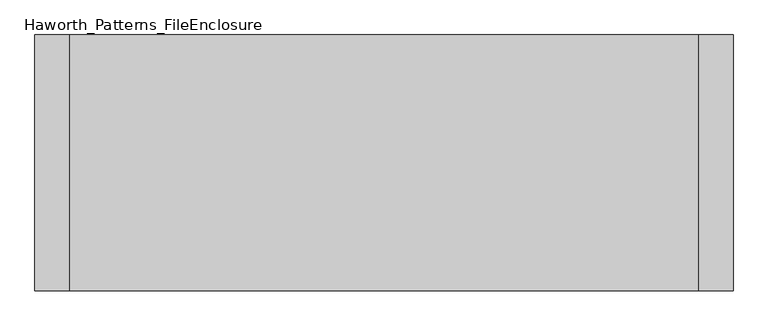
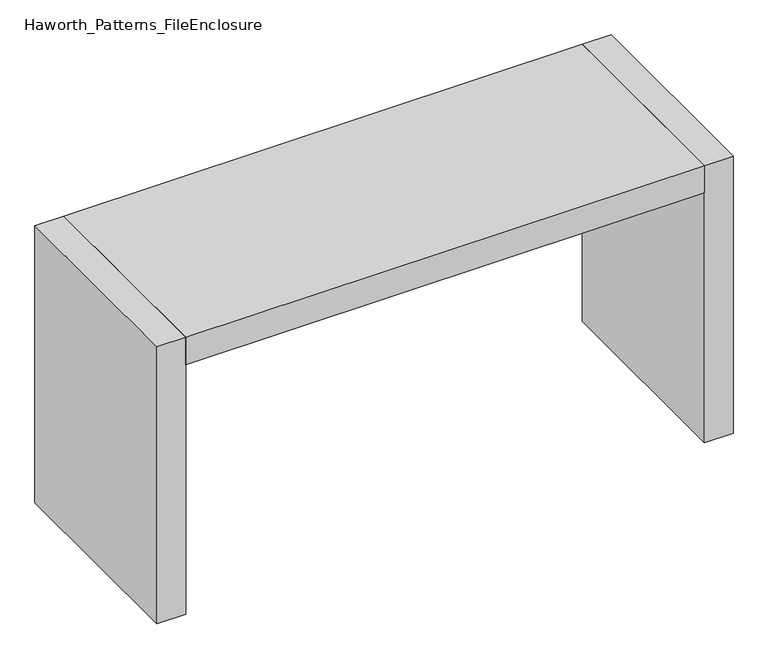
"""IFC4 building model written with IfcOpenShell, lengths in millimetres: furniture geometry, Haworth_Patterns_FileEnclosure."""

import ifcopenshell
import ifcopenshell.guid

model = None  # the IFC model being written
_history = None  # IfcOwnerHistory: only IFC2X3 demands one
_inside = {}  # id of a spatial element -> (the spatial element, [elements in it])
_under = {}  # id of a project, library or spatial element -> (it, [spatial elements below it])
_declared = {}  # id of a project -> (the project, [libraries it declares])
_typed = {}  # id of a type object -> (the type object, [elements of that type])
_made_of = {}  # id of a material, layer set ... -> (it, [elements and type objects made of it])


def new_model(schema):
    """Start an empty IFC model of exactly this schema.

    Asked for "IFC4X3", IfcOpenShell would pick the latest addendum, in which some entities
    have other attributes; the version numbers below select the first issue.
    IFC2X3 requires an IfcOwnerHistory on every rooted entity: one is made here for all.
    """
    global model, _history
    if schema == "IFC4X3":
        model = ifcopenshell.file(schema_version=(4, 3, 0, 0))
    else:
        model = ifcopenshell.file(schema=schema)
    _inside.clear()
    _under.clear()
    _declared.clear()
    _typed.clear()
    _made_of.clear()
    _history = None
    if model.schema == "IFC2X3":
        org = make("IfcOrganization", Name="unknown")
        user = make(
            "IfcPersonAndOrganization",
            ThePerson=make("IfcPerson", FamilyName="unknown"),
            TheOrganization=org,
        )
        app = make(
            "IfcApplication",
            ApplicationDeveloper=org,
            Version="unknown",
            ApplicationFullName="unknown",
            ApplicationIdentifier="unknown",
        )
        _history = make(
            "IfcOwnerHistory",
            OwningUser=user,
            OwningApplication=app,
            ChangeAction="ADDED",
            CreationDate=0,
        )
    return model


def make(cls, **values):
    """One entity of the class cls with the attributes given. An attribute that is None is left unset."""
    return model.create_entity(
        cls, **{name: value for name, value in values.items() if value is not None}
    )


def rooted(cls, **values):
    """An entity with a GlobalId (a new one), such as an element, a storey or a relation."""
    return make(cls, GlobalId=ifcopenshell.guid.new(), OwnerHistory=_history, **values)


def si_unit(unit_type, name, prefix=None):
    """IfcSIUnit, for example si_unit("LENGTHUNIT", "METRE", prefix="MILLI")."""
    return make("IfcSIUnit", UnitType=unit_type, Prefix=prefix, Name=name)


def assignment(units):
    """IfcUnitAssignment: the units of a project."""
    return None if units is None else make("IfcUnitAssignment", Units=units)


def point(xyz):
    """IfcCartesianPoint."""
    return None if xyz is None else make("IfcCartesianPoint", Coordinates=xyz)


def direction(xyz):
    """IfcDirection."""
    return None if xyz is None else make("IfcDirection", DirectionRatios=xyz)


def frame(location, z_axis=None, x_axis=None):
    """IfcAxis2Placement3D, a coordinate frame: its origin and axes. An axis left out is left unset."""
    return make(
        "IfcAxis2Placement3D",
        Location=point(location),
        Axis=direction(z_axis),
        RefDirection=direction(x_axis),
    )


def origin():
    """The frame at (0, 0, 0) with its axes left unset."""
    return frame((0.0, 0.0, 0.0))


def origin_with_axes():
    """The frame at (0, 0, 0) with the z axis (0, 0, 1) and the x axis (1, 0, 0) written out."""
    return frame((0.0, 0.0, 0.0), z_axis=(0.0, 0.0, 1.0), x_axis=(1.0, 0.0, 0.0))


def place(relative_to, where):
    """IfcLocalPlacement: puts the frame where relative to a parent placement (None: the world)."""
    return make(
        "IfcLocalPlacement", PlacementRelTo=relative_to, RelativePlacement=where
    )


def context(
    kind, dimensions, precision=None, world=None, true_north=None, identifier=None
):
    """IfcGeometricRepresentationContext, for example the 3D "Model" context."""
    return make(
        "IfcGeometricRepresentationContext",
        ContextIdentifier=identifier,
        ContextType=kind,
        CoordinateSpaceDimension=dimensions,
        Precision=precision,
        WorldCoordinateSystem=world,
        TrueNorth=true_north,
    )


def project(units=None, contexts=None):
    """IfcProject with its units and contexts."""
    return rooted(
        "IfcProject",
        Name="project",
        RepresentationContexts=contexts,
        UnitsInContext=assignment(units),
    )


def spatial(cls, under=None, at=None, **own):
    """A site, building, storey or space (cls), placed at a placement, below another one or the project."""
    s = rooted(cls, ObjectPlacement=at, **own)
    if under is not None:
        _under.setdefault(under.id(), (under, []))[1].append(s)
    return s


def polyline(points):
    """IfcPolyline through the points."""
    return make("IfcPolyline", Points=[point(p) for p in points])


def outline(outer, holes=None, kind="AREA"):
    """IfcArbitraryClosedProfileDef: a profile drawn as a closed curve; with holes, ...WithVoids."""
    if holes is None:
        return make("IfcArbitraryClosedProfileDef", ProfileType=kind, OuterCurve=outer)
    return make(
        "IfcArbitraryProfileDefWithVoids",
        ProfileType=kind,
        OuterCurve=outer,
        InnerCurves=holes,
    )


def extrude(swept, where, along, depth):
    """IfcExtrudedAreaSolid: the profile swept, set in the frame where, extruded along a direction by depth."""
    return make(
        "IfcExtrudedAreaSolid",
        SweptArea=swept,
        Position=where,
        ExtrudedDirection=direction(along),
        Depth=depth,
    )


def shape(context_of_items, identifier, shape_type, items):
    """IfcShapeRepresentation: the items that make up one representation, for example the "Body"."""
    return make(
        "IfcShapeRepresentation",
        ContextOfItems=context_of_items,
        RepresentationIdentifier=identifier,
        RepresentationType=shape_type,
        Items=items,
    )


def source(mapping_origin, context_of_items, identifier, shape_type, items):
    """IfcRepresentationMap: a shape defined once, which mapped items show again and again."""
    return make(
        "IfcRepresentationMap",
        MappingOrigin=mapping_origin,
        MappedRepresentation=shape(context_of_items, identifier, shape_type, items),
    )


def transform(
    local_origin,
    x_axis=None,
    y_axis=None,
    z_axis=None,
    scale=None,
    scale2=None,
    scale3=None,
    uniform=True,
):
    """IfcCartesianTransformationOperator3D, or its non-uniform kind. x_axis, y_axis, z_axis: its Axis1, 2, 3."""
    if uniform:
        return make(
            "IfcCartesianTransformationOperator3D",
            Axis1=direction(x_axis),
            Axis2=direction(y_axis),
            LocalOrigin=point(local_origin),
            Scale=scale,
            Axis3=direction(z_axis),
        )
    return make(
        "IfcCartesianTransformationOperator3DnonUniform",
        Axis1=direction(x_axis),
        Axis2=direction(y_axis),
        LocalOrigin=point(local_origin),
        Scale=scale,
        Axis3=direction(z_axis),
        Scale2=scale2,
        Scale3=scale3,
    )


def mapped(mapping_source, mapping_target):
    """IfcMappedItem: shows the shape of a source again, moved by a transform."""
    return make(
        "IfcMappedItem", MappingSource=mapping_source, MappingTarget=mapping_target
    )


def made_of(thing, what):
    """Note that an element or type object is made of a material, layer set ...; save() writes the relation."""
    if what is not None:
        _made_of.setdefault(what.id(), (what, []))[1].append(thing)
    return thing


def element(
    cls,
    number,
    at=None,
    inside=None,
    cuts=None,
    type_object=None,
    material=None,
    context=None,
    identifier="Body",
    shape_type=None,
    held_by="IfcProductDefinitionShape",
    body=None,
    shapes=None,
    **own,
):
    """One element of the class cls, such as IfcWall. Its Tag is "e" and its number.

    at: its placement. inside: the storey or other place that contains it. cuts: it is an
    opening in that element (IfcRelVoidsElement). A single representation is given by context,
    identifier, shape_type and body (its items); several are given by shapes. held_by: the class
    of the entity that holds the representations. save() writes the other relations.
    """
    e = rooted(cls, Tag="e%d" % number, ObjectPlacement=at, **own)
    if body is not None:
        shapes = [shape(context, identifier, shape_type, body)]
    if shapes is not None:
        e.Representation = make(held_by, Representations=shapes)
    if inside is not None:
        _inside.setdefault(inside.id(), (inside, []))[1].append(e)
    if cuts is not None:
        rooted(
            "IfcRelVoidsElement", RelatingBuildingElement=cuts, RelatedOpeningElement=e
        )
    if type_object is not None:
        _typed.setdefault(type_object.id(), (type_object, []))[1].append(e)
    return made_of(e, material)


def aggregate(whole, parts):
    """IfcRelAggregates: a whole, such as a stair, and the parts it consists of."""
    return rooted("IfcRelAggregates", RelatingObject=whole, RelatedObjects=parts)


def save(model, path):
    """Write the relations noted so far, then the file.

    IfcRelAggregates (storeys below a building ...), IfcRelContainedInSpatialStructure (elements
    in a storey), IfcRelDefinesByType, IfcRelAssociatesMaterial and IfcRelDeclares: one each for
    every whole, place, type object, material and project.
    """
    for whole, parts in _under.values():
        aggregate(whole, parts)
    for where, things in _inside.values():
        rooted(
            "IfcRelContainedInSpatialStructure",
            RelatedElements=things,
            RelatingStructure=where,
        )
    for kind, things in _typed.values():
        rooted("IfcRelDefinesByType", RelatedObjects=things, RelatingType=kind)
    for what, things in _made_of.values():
        rooted("IfcRelAssociatesMaterial", RelatedObjects=things, RelatingMaterial=what)
    for by, libraries in _declared.values():
        rooted("IfcRelDeclares", RelatingContext=by, RelatedDefinitions=libraries)
    model.write(path)


def haworth_patterns_fileenclosure_dfd68cfc(model_context):
    return source(origin(), model_context, "Body", "SweptSolid", [
        extrude(outline(polyline([(685.8, 0.0), (685.8, -558.8), (-685.8, -558.8), (-685.8, 0.0), (685.8, 0.0)])), frame((0.0, 0.0, 698.5), z_axis=(0.0, 0.0, 1.0), x_axis=(1.0, 0.0, 0.0)), (0.0, 0.0, 1.0), 76.2),
        extrude(outline(polyline([(685.8, 0.0), (762.0, 0.0), (762.0, -558.8), (685.8, -558.8), (685.8, 0.0)])), origin_with_axes(), (0.0, 0.0, 1.0), 774.7),
        extrude(outline(polyline([(-685.8, 0.0), (-685.8, -558.8), (-762.0, -558.8), (-762.0, 0.0), (-685.8, 0.0)])), origin_with_axes(), (0.0, 0.0, 1.0), 774.7),
    ])


if __name__ == "__main__":
    model = new_model("IFC4")
    model_context = context("Model", 3, world=origin())
    ifc_project = project(units=[si_unit("LENGTHUNIT", "METRE", prefix="MILLI")], contexts=[model_context])
    site = spatial("IfcSite", under=ifc_project)
    building = spatial("IfcBuilding", under=site)
    placement = place(None, origin())
    haworth_patterns_fileenclosure_shape = haworth_patterns_fileenclosure_dfd68cfc(model_context)
    element("IfcFurniture", 1, ObjectType="Haworth_Patterns_FileEnclosure", at=placement, inside=building, context=model_context, shape_type="MappedRepresentation", body=[
        mapped(haworth_patterns_fileenclosure_shape, transform((0.0, 0.0, 0.0), x_axis=(1.0, 0.0, 0.0), y_axis=(0.0, 1.0, 0.0), z_axis=(0.0, 0.0, 1.0))),
    ])
    save(model, "model.ifc")
